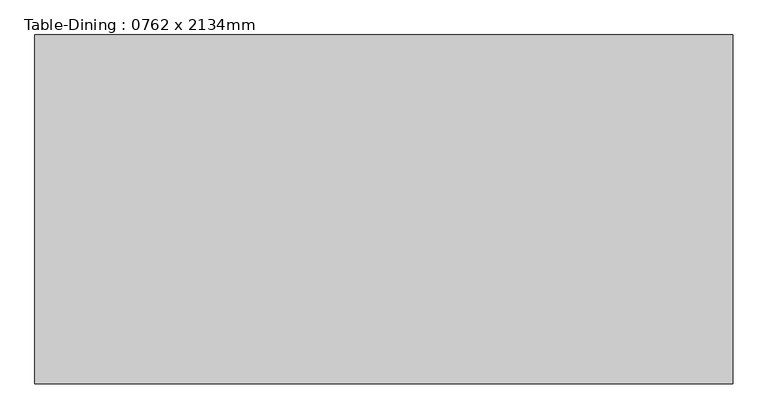
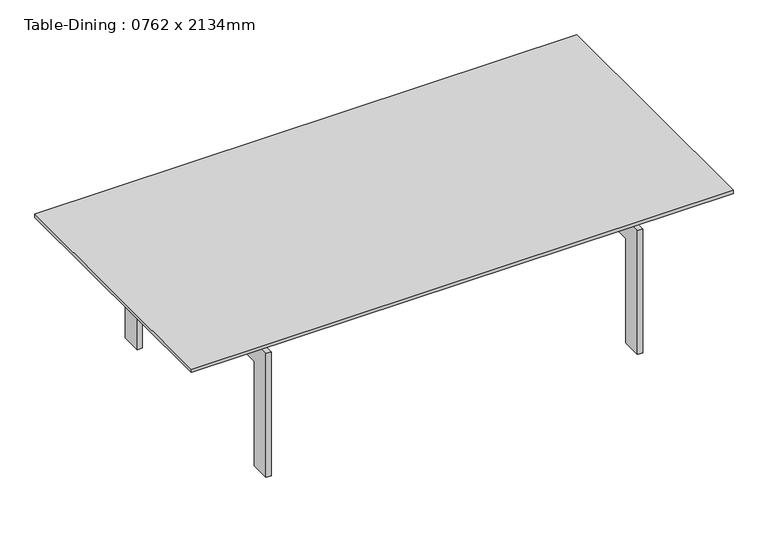
"""IFC4 building model written with IfcOpenShell, lengths in millimetres: furniture geometry, Table-Dining : 0762 x 2134mm."""

from ifc_helpers import new_model, si_unit, frame, origin, place, context, project, spatial, polyline, outline, extrude, source, transform, mapped, element, save


def table_dining_0762_x_2134mm_11d21cb7(model_context):
    return source(origin(), model_context, "Body", "SweptSolid", [
        extrude(outline(polyline([(916.6657667, 297.7823857), (916.6657667, 272.3823857), (-880.1342333, 272.3823857), (-880.1342333, 297.7823857), (916.6657667, 297.7823857)])), frame((0.0, 0.0, 483.8), z_axis=(0.0, 0.0, 1.0), x_axis=(1.0, 0.0, 0.0)), (0.0, 0.0, 1.0), 63.5),
        extrude(outline(polyline([(916.6657667, -82.5889222), (916.6657667, -107.9889222), (-880.1342333, -107.9889222), (-880.1342333, -82.5889222), (916.6657667, -82.5889222)])), frame((0.0, 0.0, 483.8), z_axis=(0.0, 0.0, 1.0), x_axis=(1.0, 0.0, 0.0)), (0.0, 0.0, 1.0), 63.5),
        extrude(outline(polyline([(544.4110778, 0.0), (468.2110778, 0.0), (468.2110778, 407.6), (-277.7889222, 407.6), (-277.7889222, 0.0), (-353.9889222, 0.0), (-353.9889222, 483.8), (544.4110778, 483.8), (544.4110778, 0.0)])), frame((694.4157667, 0.0, 0.0), z_axis=(1.0, 0.0, 0.0), x_axis=(0.0, 1.0, 0.0)), (0.0, 0.0, 1.0), 19.05),
        extrude(outline(polyline([(544.4110778, 483.8), (544.4110778, 0.0), (468.2110778, 0.0), (468.2110778, 407.6), (-277.7889222, 407.6), (-277.7889222, 0.0), (-353.9889222, 0.0), (-353.9889222, 483.8), (544.4110778, 483.8)])), frame((-676.9342333, 0.0, 0.0), z_axis=(1.0, 0.0, 0.0), x_axis=(0.0, 1.0, 0.0)), (0.0, 0.0, 1.0), 19.05),
        extrude(outline(polyline([(1018.2657667, 595.2110778), (1018.2657667, -404.7889222), (-981.7342333, -404.7889222), (-981.7342333, 595.2110778), (1018.2657667, 595.2110778)])), frame((0.0, 0.0, 547.3), z_axis=(0.0, 0.0, 1.0), x_axis=(1.0, 0.0, 0.0)), (0.0, 0.0, 1.0), 12.7),
    ])


if __name__ == "__main__":
    model = new_model("IFC4")
    model_context = context("Model", 3, world=origin())
    ifc_project = project(units=[si_unit("LENGTHUNIT", "METRE", prefix="MILLI")], contexts=[model_context])
    site = spatial("IfcSite", under=ifc_project)
    building = spatial("IfcBuilding", under=site)
    placement = place(None, origin())
    table_dining_0762_x_2134mm_shape = table_dining_0762_x_2134mm_11d21cb7(model_context)
    element("IfcFurniture", 1, ObjectType="Table-Dining : 0762 x 2134mm", at=placement, inside=building, context=model_context, shape_type="MappedRepresentation", body=[
        mapped(table_dining_0762_x_2134mm_shape, transform((0.0, 0.0, 0.0), x_axis=(1.0, 0.0, 0.0), y_axis=(0.0, 1.0, 0.0), z_axis=(0.0, 0.0, 1.0))),
    ])
    save(model, "model.ifc")
